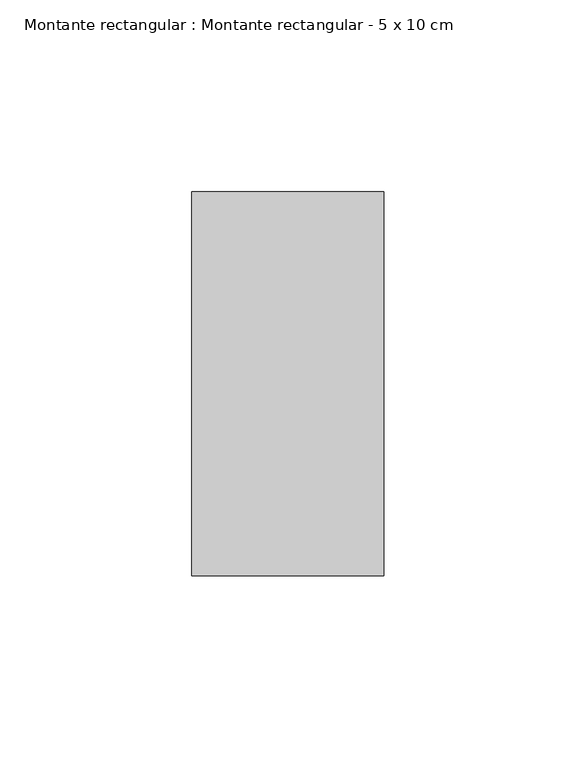
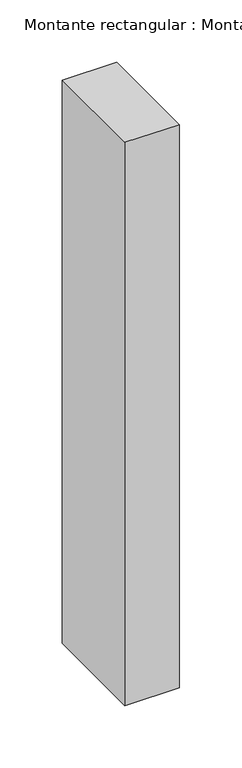
"""IFC4 building model written with IfcOpenShell, lengths in millimetres: member geometry, Montante rectangular : Montante rectangular - 5 x 10 cm."""

from ifc_helpers import new_model, si_unit, frame, origin, place, context, project, spatial, polyline, outline, extrude, source, transform, mapped, element, save


def montante_rectangular_montante_rectangular_5_x_10_cm_a956b9cd(model_context):
    return source(origin(), model_context, "Body", "SweptSolid", [
        extrude(outline(polyline([(-50.0, 50.0), (0.0, 50.0), (0.0, -50.0), (-50.0, -50.0), (-50.0, 50.0)])), frame((0.0, 0.0, -550.0), z_axis=(0.0, 0.0, 1.0), x_axis=(1.0, 0.0, 0.0)), (0.0, 0.0, 1.0), 550.0),
    ])


if __name__ == "__main__":
    model = new_model("IFC4")
    model_context = context("Model", 3, world=origin())
    ifc_project = project(units=[si_unit("LENGTHUNIT", "METRE", prefix="MILLI")], contexts=[model_context])
    site = spatial("IfcSite", under=ifc_project)
    building = spatial("IfcBuilding", under=site)
    placement = place(None, origin())
    montante_rectangular_montante_rectangular_5_x_10_cm_shape = montante_rectangular_montante_rectangular_5_x_10_cm_a956b9cd(model_context)
    element("IfcMember", 1, ObjectType="Montante rectangular : Montante rectangular - 5 x 10 cm", at=placement, inside=building, context=model_context, shape_type="MappedRepresentation", body=[
        mapped(montante_rectangular_montante_rectangular_5_x_10_cm_shape, transform((0.0, 0.0, 0.0), x_axis=(1.0, 0.0, 0.0), y_axis=(0.0, 1.0, 0.0), z_axis=(0.0, 0.0, 1.0))),
    ])
    save(model, "model.ifc")
